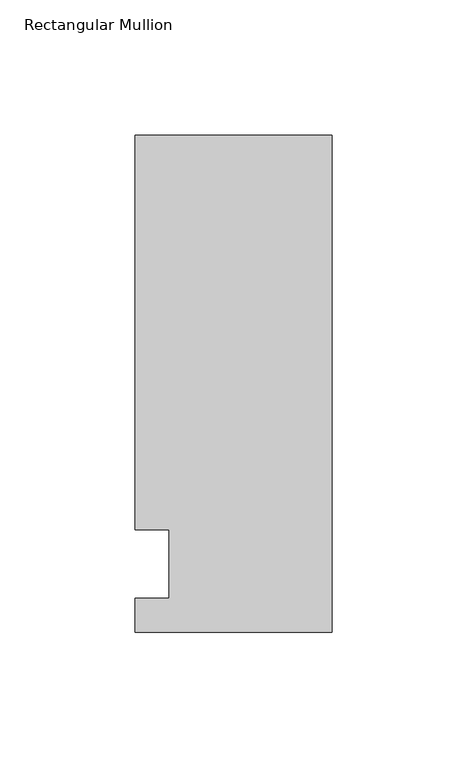
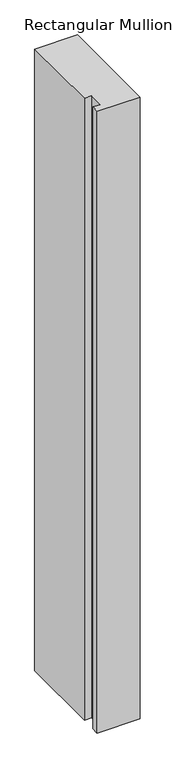
"""IFC4 building model written with IfcOpenShell, lengths in millimetres: member geometry, Rectangular Mullion."""

from ifc_helpers import new_model, si_unit, frame, origin, place, context, project, spatial, polyline, outline, extrude, source, transform, mapped, element, save


def rectangular_mullion_7837445c(model_context):
    return source(origin(), model_context, "Body", "SweptSolid", [
        extrude(outline(polyline([(-73.025, 158.75), (0.0, 158.75), (0.0, -25.4), (-73.025, -25.4), (-73.025, -12.7), (-60.3232296, -12.7), (-60.3232296, 12.7), (-73.025, 12.7), (-73.025, 158.75)])), frame((0.0, 0.0, -1117.6), z_axis=(0.0, 0.0, 1.0), x_axis=(1.0, 0.0, 0.0)), (0.0, 0.0, 1.0), 1117.6),
    ])


if __name__ == "__main__":
    model = new_model("IFC4")
    model_context = context("Model", 3, world=origin())
    ifc_project = project(units=[si_unit("LENGTHUNIT", "METRE", prefix="MILLI")], contexts=[model_context])
    site = spatial("IfcSite", under=ifc_project)
    building = spatial("IfcBuilding", under=site)
    placement = place(None, origin())
    rectangular_mullion_shape = rectangular_mullion_7837445c(model_context)
    element("IfcMember", 1, ObjectType="Rectangular Mullion", at=placement, inside=building, context=model_context, shape_type="MappedRepresentation", body=[
        mapped(rectangular_mullion_shape, transform((0.0, 0.0, 0.0), x_axis=(1.0, 0.0, 0.0), y_axis=(0.0, 1.0, 0.0), z_axis=(0.0, 0.0, 1.0))),
    ])
    save(model, "model.ifc")
